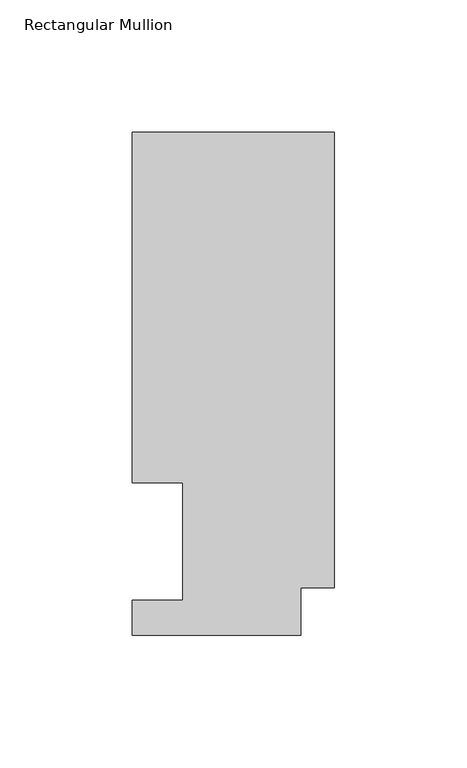
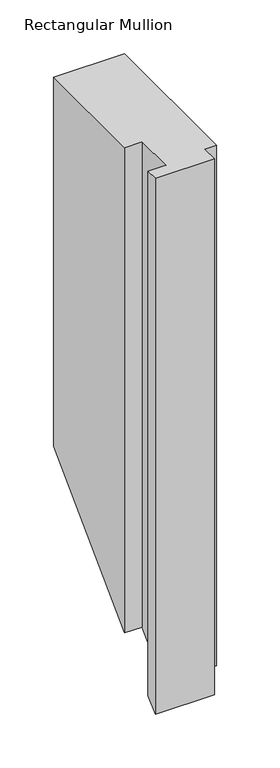
"""IFC4 building model written with IfcOpenShell, lengths in millimetres: member geometry, Rectangular Mullion."""

from ifc_helpers import new_model, si_unit, origin, place, context, project, spatial, faceted_brep, source, transform, mapped, element, save


def rectangular_mullion_006fbfaa(model_context):
    return source(origin(), model_context, "Body", "Brep", [
        faceted_brep([(-76.2, 189.8022938, 0.0), (-76.2, 57.6460938, 0.0), (-57.15, 57.6460937, 0.0), (-57.15, 13.1960938, 0.0), (-76.2, 13.1960938, 0.0), (-76.2, 0.0134938, 0.0), (-12.7, 0.0134938, 0.0), (-12.7, 17.9712938, 0.0), (0.0, 17.9712938, 0.0), (0.0, 189.8022938, 0.0), (-76.2, 189.8022938, -419.7977063), (-76.2, 57.6460937, -551.9539063), (-57.15, 57.6460937, -551.9539063), (-57.15, 13.1960938, -596.4039062), (-76.2, 13.1960938, -596.4039062), (-76.2, 0.0134938, -609.5865062), (-12.7, 0.0134938, -609.5865062), (-12.7, 17.9712938, -591.6287062), (0.0, 17.9712938, -591.6287062), (0.0, 189.8022938, -419.7977063)], [[[0, 1, 2, 3, 4, 5, 6, 7, 8, 9]], [[1, 0, 10, 11]], [[2, 1, 11, 12]], [[3, 2, 12, 13]], [[4, 3, 13, 14]], [[5, 4, 14, 15]], [[6, 5, 15, 16]], [[7, 6, 16, 17]], [[8, 7, 17, 18]], [[9, 8, 18, 19]], [[0, 9, 19, 10]], [[10, 19, 18, 17, 16, 15, 14, 13, 12, 11]]]),
    ])


if __name__ == "__main__":
    model = new_model("IFC4")
    model_context = context("Model", 3, world=origin())
    ifc_project = project(units=[si_unit("LENGTHUNIT", "METRE", prefix="MILLI")], contexts=[model_context])
    site = spatial("IfcSite", under=ifc_project)
    building = spatial("IfcBuilding", under=site)
    placement = place(None, origin())
    rectangular_mullion_shape = rectangular_mullion_006fbfaa(model_context)
    element("IfcMember", 1, ObjectType="Rectangular Mullion", at=placement, inside=building, context=model_context, shape_type="MappedRepresentation", body=[
        mapped(rectangular_mullion_shape, transform((0.0, 0.0, 0.0), x_axis=(1.0, 0.0, 0.0), y_axis=(0.0, 1.0, 0.0), z_axis=(0.0, 0.0, 1.0))),
    ])
    save(model, "model.ifc")
